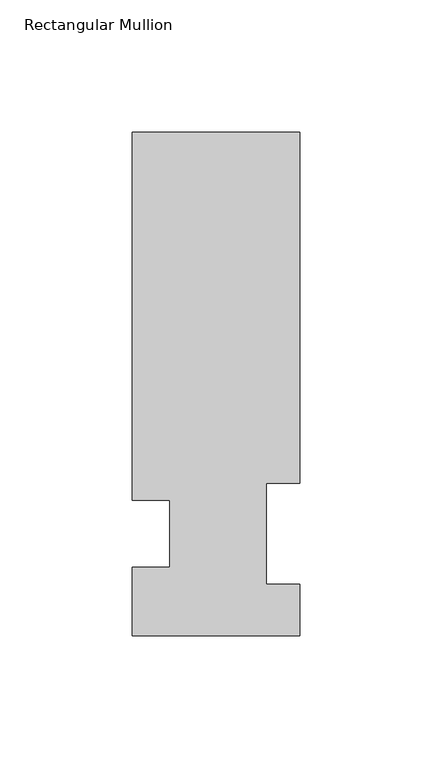
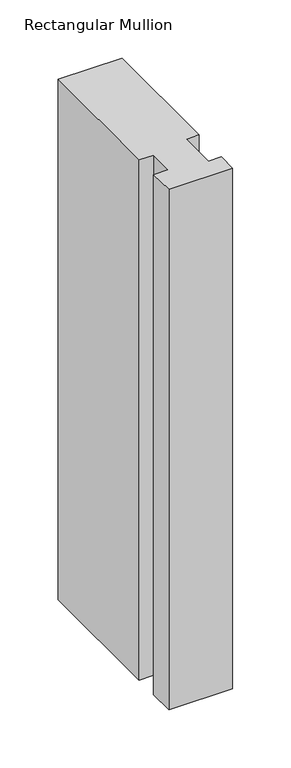
"""IFC4 building model written with IfcOpenShell, lengths in millimetres: member geometry, Rectangular Mullion."""

from ifc_helpers import new_model, si_unit, frame, origin, place, context, project, spatial, polyline, outline, extrude, source, transform, mapped, element, save


def rectangular_mullion_f2491d7d(model_context):
    return source(origin(), model_context, "Body", "SweptSolid", [
        extrude(outline(polyline([(-63.5, 51.2960938), (-63.5, 190.5896938), (0.0, 190.5896938), (0.0, 57.6460937), (-12.6873, 57.6460937), (-12.6873, 19.5460938), (0.0, 19.5460938), (0.0, 0.0134938), (-63.5, 0.0134938), (-63.5, 25.8960938), (-49.2125, 25.8960938), (-49.2125, 51.2960938), (-63.5, 51.2960938)])), frame((0.0, 0.0, -546.0999994), z_axis=(0.0, 0.0, 1.0), x_axis=(1.0, 0.0, 0.0)), (0.0, 0.0, 1.0), 546.0999994),
    ])


if __name__ == "__main__":
    model = new_model("IFC4")
    model_context = context("Model", 3, world=origin())
    ifc_project = project(units=[si_unit("LENGTHUNIT", "METRE", prefix="MILLI")], contexts=[model_context])
    site = spatial("IfcSite", under=ifc_project)
    building = spatial("IfcBuilding", under=site)
    placement = place(None, origin())
    rectangular_mullion_shape = rectangular_mullion_f2491d7d(model_context)
    element("IfcMember", 1, ObjectType="Rectangular Mullion", at=placement, inside=building, context=model_context, shape_type="MappedRepresentation", body=[
        mapped(rectangular_mullion_shape, transform((0.0, 0.0, 0.0), x_axis=(1.0, 0.0, 0.0), y_axis=(0.0, 1.0, 0.0), z_axis=(0.0, 0.0, 1.0))),
    ])
    save(model, "model.ifc")
